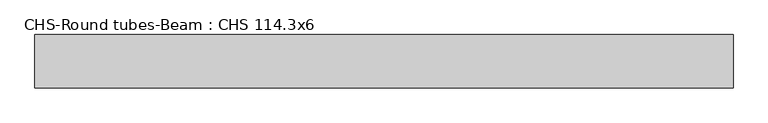
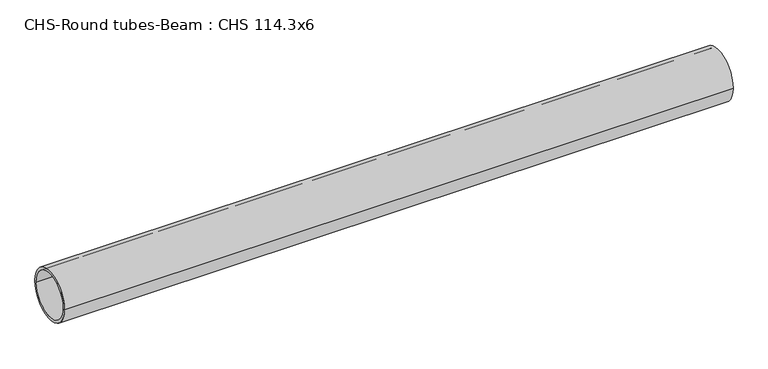
"""IFC4 building model written with IfcOpenShell, lengths in millimetres: beam geometry, CHS-Round tubes-Beam : CHS 114.3x6."""

from ifc_helpers import new_model, si_unit, point, frame, origin, origin_2d, place, context, project, spatial, circle_curve, trimmed, segment, composite_curve, outline, extrude, source, transform, mapped, element, save


def chs_round_tubes_beam_chs_114_3x6_5d8475a9(model_context):
    return source(origin(), model_context, "Body", "SweptSolid", [
        extrude(outline(composite_curve([segment(trimmed(circle_curve(origin_2d(), 57.15), [point((57.15, 0.0))], [point((-57.15, 0.0))], False, "CARTESIAN"), True, "CONTINUOUS"), segment(trimmed(circle_curve(origin_2d(), 57.15), [point((-57.15, 0.0))], [point((57.15, 0.0))], False, "CARTESIAN"), True, "CONTINUOUS")], self_intersect=False), holes=[composite_curve([segment(trimmed(circle_curve(origin_2d(), 51.15), [point((51.15, 0.0))], [point((-51.15, 0.0))], True, "CARTESIAN"), True, "CONTINUOUS"), segment(trimmed(circle_curve(origin_2d(), 51.15), [point((-51.15, 0.0))], [point((51.15, 0.0))], True, "CARTESIAN"), True, "CONTINUOUS")], self_intersect=False)]), frame((-746.5035518, 0.0, 0.0), z_axis=(1.0, 0.0, 0.0), x_axis=(0.0, 1.0, 0.0)), (0.0, 0.0, 1.0), 1497.2897738),
    ])


if __name__ == "__main__":
    model = new_model("IFC4")
    model_context = context("Model", 3, world=origin())
    ifc_project = project(units=[si_unit("LENGTHUNIT", "METRE", prefix="MILLI")], contexts=[model_context])
    site = spatial("IfcSite", under=ifc_project)
    building = spatial("IfcBuilding", under=site)
    placement = place(None, origin())
    chs_round_tubes_beam_chs_114_3x6_shape = chs_round_tubes_beam_chs_114_3x6_5d8475a9(model_context)
    element("IfcBeam", 1, ObjectType="CHS-Round tubes-Beam : CHS 114.3x6", at=placement, inside=building, context=model_context, shape_type="MappedRepresentation", body=[
        mapped(chs_round_tubes_beam_chs_114_3x6_shape, transform((0.0, 0.0, 0.0), x_axis=(1.0, 0.0, 0.0), y_axis=(0.0, 1.0, 0.0), z_axis=(0.0, 0.0, 1.0))),
    ])
    save(model, "model.ifc")
